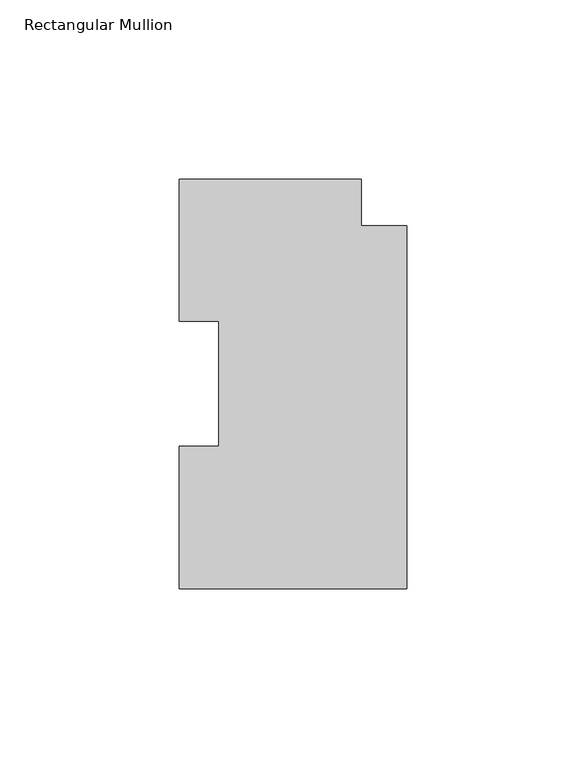
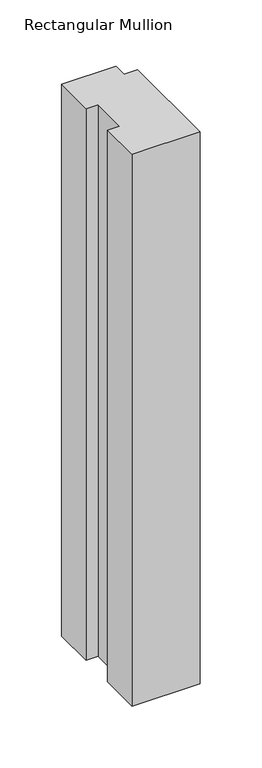
"""IFC4 building model written with IfcOpenShell, lengths in millimetres: member geometry, Rectangular Mullion."""

from ifc_helpers import new_model, si_unit, frame, origin, place, context, project, spatial, polyline, outline, extrude, source, transform, mapped, element, save


def rectangular_mullion_00109801(model_context):
    return source(origin(), model_context, "Body", "SweptSolid", [
        extrude(outline(polyline([(-63.5, 114.0729875), (-12.7, 114.0729875), (-12.7, 100.9919875), (0.0, 100.9919875), (0.0, -0.2270125), (-63.5, -0.2270125), (-63.5, 39.4477875), (-52.3875, 39.4477875), (-52.3875, 74.3981875), (-63.5, 74.3981875), (-63.5, 114.0729875)])), frame((0.0, 0.0, -545.0416667), z_axis=(0.0, 0.0, 1.0), x_axis=(1.0, 0.0, 0.0)), (0.0, 0.0, 1.0), 545.0416667),
    ])


if __name__ == "__main__":
    model = new_model("IFC4")
    model_context = context("Model", 3, world=origin())
    ifc_project = project(units=[si_unit("LENGTHUNIT", "METRE", prefix="MILLI")], contexts=[model_context])
    site = spatial("IfcSite", under=ifc_project)
    building = spatial("IfcBuilding", under=site)
    placement = place(None, origin())
    rectangular_mullion_shape = rectangular_mullion_00109801(model_context)
    element("IfcMember", 1, ObjectType="Rectangular Mullion", at=placement, inside=building, context=model_context, shape_type="MappedRepresentation", body=[
        mapped(rectangular_mullion_shape, transform((0.0, 0.0, 0.0), x_axis=(1.0, 0.0, 0.0), y_axis=(0.0, 1.0, 0.0), z_axis=(0.0, 0.0, 1.0))),
    ])
    save(model, "model.ifc")
